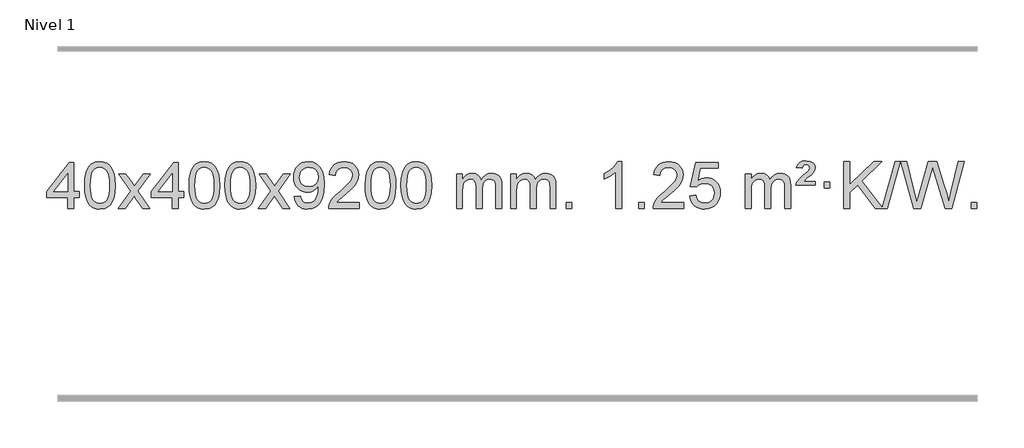
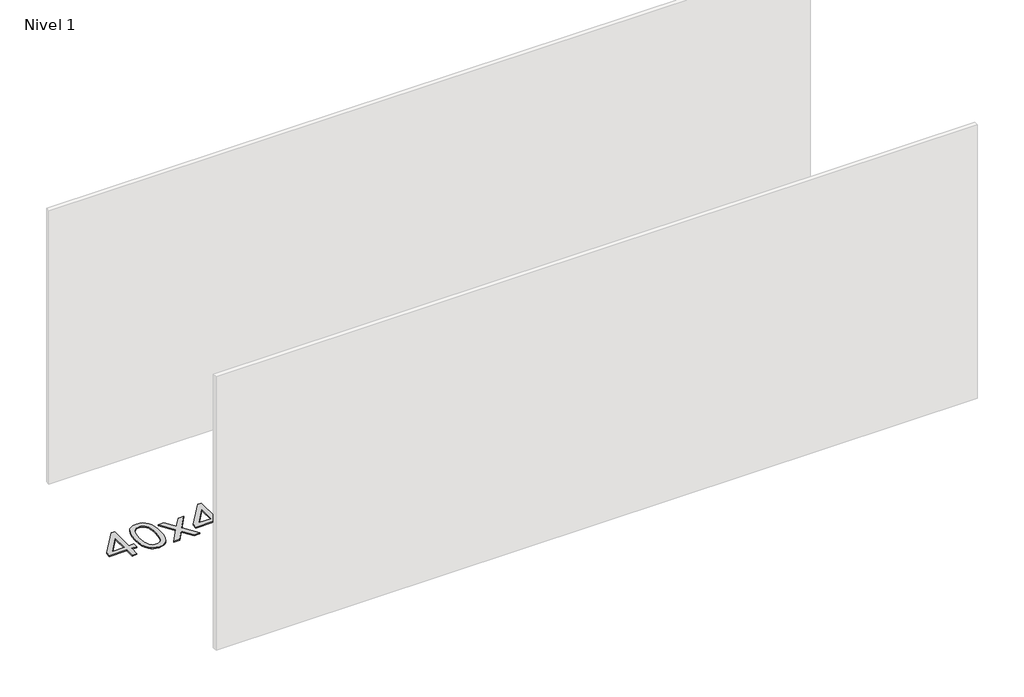
# One storey, part 16 of 18: 1 proxy.
"""IFC4 building model written with IfcOpenShell, lengths in millimetres."""

from ifc_helpers import new_model, si_unit, origin, origin_with_axes, place, context, project, spatial, polyline, outline, extrude, element, save

model = new_model("IFC4")

# Units and contexts
model_context = context("Model", 3, world=origin())
ifc_project = project(units=[si_unit("LENGTHUNIT", "METRE", prefix="MILLI")], contexts=[model_context])

# Site, building, storey
site = spatial("IfcSite", under=ifc_project)
building = spatial("IfcBuilding", under=site)
storey = spatial("IfcBuildingStorey", under=building, Name="Nivel 1", Elevation=0.0)

# Proxy
placement = place(None, origin())
element("IfcBuildingElementProxy", 1, Name="Texto de modelo 1", ObjectType="Texto de modelo 1", at=placement, inside=storey, context=model_context, shape_type="SweptSolid", body=[
    extrude(outline(polyline([(-25746.7519314, 2608.420547), (-25746.7519314, 2702.5983378), (-25928.8289935, 2702.5983378), (-25928.8289935, 2752.8264928), (-25734.1948926, 3003.9672682), (-25696.5237763, 3003.9672682), (-25696.5237763, 2752.8264928), (-25646.2956212, 2752.8264928), (-25646.2956212, 2702.5983378), (-25696.5237763, 2702.5983378), (-25696.5237763, 2608.420547), (-25746.7519314, 2608.420547)]), holes=[polyline([(-25746.7519314, 2752.8264928), (-25746.7519314, 2908.0236439), (-25867.0248183, 2752.8264928), (-25746.7519314, 2752.8264928)])]), origin_with_axes(), (0.0, 0.0, 1.0), 10.0),
    extrude(outline(polyline([(-25602.3459855, 2806.0958057), (-25598.6549029, 2870.4138412), (-25587.5816548, 2921.7088541), (-25569.236606, 2960.7656593), (-25557.378543, 2975.9990395), (-25543.730121, 2988.3690716), (-25528.2453547, 2997.9401349), (-25510.8782588, 3004.7766086), (-25470.4970785, 3010.2457876), (-25439.5459399, 3007.008426), (-25411.832163, 2997.2963414), (-25388.6555973, 2981.4896783), (-25371.3160926, 2959.9685816), (-25358.2194935, 2932.9169922), (-25347.7716449, 2900.5188512), (-25340.9290398, 2859.3773814), (-25338.6481714, 2806.0958057), (-25342.3024659, 2742.1456523), (-25353.2653493, 2690.9732667), (-25371.5000336, 2651.8796734), (-25383.3305054, 2636.6003078), (-25396.9697304, 2624.1658964), (-25412.4728908, 2614.5304538), (-25429.8951689, 2607.6479948), (-25470.4970785, 2602.1420276), (-25498.1618045, 2604.5332606), (-25522.6872709, 2611.7069595), (-25544.0734775, 2623.6631243), (-25562.3204245, 2640.4017551), (-25579.8316074, 2670.6600492), (-25592.3395953, 2708.3618224), (-25599.844388, 2753.5070745), (-25602.3459855, 2806.0958057)]), holes=[polyline([(-25552.1178305, 2806.1939076), (-25550.6463025, 2762.5293805), (-25546.2317185, 2727.1851178), (-25538.8740786, 2700.1611196), (-25528.5733828, 2681.4573858), (-25516.1144459, 2668.7317344), (-25502.2820829, 2659.6419835), (-25487.0762937, 2654.1881329), (-25470.4970785, 2652.3701827), (-25453.9178632, 2654.1942643), (-25438.7120741, 2659.6665089), (-25424.8797111, 2668.7869167), (-25412.4207742, 2681.5554876), (-25402.1200783, 2700.2898783), (-25394.7624384, 2727.3077451), (-25390.3478545, 2762.6090882), (-25388.8763265, 2806.1939076), (-25390.2988035, 2848.7026722), (-25394.5662347, 2883.4246011), (-25401.6786199, 2910.3596945), (-25411.6359592, 2929.5079524), (-25423.8864297, 2942.8559375), (-25437.8782082, 2952.3902125), (-25453.6112949, 2958.1107775), (-25471.0856897, 2960.0176325), (-25487.5790658, 2958.3376381), (-25502.5273375, 2953.2976548), (-25515.9305049, 2944.8976825), (-25527.7885679, 2933.1377214), (-25538.4326203, 2912.291075), (-25546.0355148, 2884.1848906), (-25550.5972516, 2848.8191681), (-25552.1178305, 2806.1939076)])]), origin_with_axes(), (0.0, 0.0, 1.0), 10.0),
    extrude(outline(polyline([(-25313.5340939, 2608.420547), (-25206.2106531, 2756.7505675), (-25307.2555745, 2903.5109581), (-25246.8248254, 2903.5109581), (-25198.0681983, 2832.877615), (-25175.3085655, 2799.5229808), (-25155.5900906, 2826.7952993), (-25100.0644348, 2903.5109581), (-25039.6336857, 2903.5109581), (-25145.7799041, 2756.7505675), (-25043.5577603, 2608.420547), (-25103.9885094, 2608.420547), (-25165.498379, 2697.5951426), (-25176.7800935, 2713.8800523), (-25253.1033448, 2608.420547), (-25313.5340939, 2608.420547)])), origin_with_axes(), (0.0, 0.0, 1.0), 10.0),
    extrude(outline(polyline([(-24848.9236594, 2608.420547), (-24848.9236594, 2702.5983378), (-25031.0007216, 2702.5983378), (-25031.0007216, 2752.8264928), (-24836.3666207, 3003.9672682), (-24798.6955043, 3003.9672682), (-24798.6955043, 2752.8264928), (-24748.4673493, 2752.8264928), (-24748.4673493, 2702.5983378), (-24798.6955043, 2702.5983378), (-24798.6955043, 2608.420547), (-24848.9236594, 2608.420547)]), holes=[polyline([(-24848.9236594, 2752.8264928), (-24848.9236594, 2908.0236439), (-24969.1965464, 2752.8264928), (-24848.9236594, 2752.8264928)])]), origin_with_axes(), (0.0, 0.0, 1.0), 10.0),
    extrude(outline(polyline([(-24704.5177136, 2806.0958057), (-24700.8266309, 2870.4138412), (-24689.7533828, 2921.7088541), (-24671.408334, 2960.7656593), (-24659.550271, 2975.9990395), (-24645.901849, 2988.3690716), (-24630.4170827, 2997.9401349), (-24613.0499869, 3004.7766086), (-24572.6688065, 3010.2457876), (-24541.717668, 3007.008426), (-24514.003891, 2997.2963414), (-24490.8273253, 2981.4896783), (-24473.4878206, 2959.9685816), (-24460.3912216, 2932.9169922), (-24449.9433729, 2900.5188512), (-24443.1007678, 2859.3773814), (-24440.8198994, 2806.0958057), (-24444.4741939, 2742.1456523), (-24455.4370774, 2690.9732667), (-24473.6717616, 2651.8796734), (-24485.5022334, 2636.6003078), (-24499.1414584, 2624.1658964), (-24514.6446188, 2614.5304538), (-24532.066897, 2607.6479948), (-24572.6688065, 2602.1420276), (-24600.3335326, 2604.5332606), (-24624.8589989, 2611.7069595), (-24646.2452055, 2623.6631243), (-24664.4921525, 2640.4017551), (-24682.0033355, 2670.6600492), (-24694.5113233, 2708.3618224), (-24702.016116, 2753.5070745), (-24704.5177136, 2806.0958057)]), holes=[polyline([(-24654.2895585, 2806.1939076), (-24652.8180305, 2762.5293805), (-24648.4034466, 2727.1851178), (-24641.0458067, 2700.1611196), (-24630.7451108, 2681.4573858), (-24618.2861739, 2668.7317344), (-24604.4538109, 2659.6419835), (-24589.2480218, 2654.1881329), (-24572.6688065, 2652.3701827), (-24556.0895913, 2654.1942643), (-24540.8838021, 2659.6665089), (-24527.0514391, 2668.7869167), (-24514.5925022, 2681.5554876), (-24504.2918063, 2700.2898783), (-24496.9341664, 2727.3077451), (-24492.5195825, 2762.6090882), (-24491.0480545, 2806.1939076), (-24492.4705316, 2848.7026722), (-24496.7379627, 2883.4246011), (-24503.8503479, 2910.3596945), (-24513.8076873, 2929.5079524), (-24526.0581577, 2942.8559375), (-24540.0499363, 2952.3902125), (-24555.7830229, 2958.1107775), (-24573.2574177, 2960.0176325), (-24589.7507938, 2958.3376381), (-24604.6990656, 2953.2976548), (-24618.1022329, 2944.8976825), (-24629.9602959, 2933.1377214), (-24640.6043483, 2912.291075), (-24648.2072429, 2884.1848906), (-24652.7689796, 2848.8191681), (-24654.2895585, 2806.1939076)])]), origin_with_axes(), (0.0, 0.0, 1.0), 10.0),
    extrude(outline(polyline([(-24396.8702638, 2806.0958057), (-24393.1791811, 2870.4138412), (-24382.105933, 2921.7088541), (-24363.7608842, 2960.7656593), (-24351.9028212, 2975.9990395), (-24338.2543992, 2988.3690716), (-24322.7696329, 2997.9401349), (-24305.402537, 3004.7766086), (-24265.0213567, 3010.2457876), (-24234.0702182, 3007.008426), (-24206.3564412, 2997.2963414), (-24183.1798755, 2981.4896783), (-24165.8403708, 2959.9685816), (-24152.7437718, 2932.9169922), (-24142.2959231, 2900.5188512), (-24135.453318, 2859.3773814), (-24133.1724496, 2806.0958057), (-24136.8267441, 2742.1456523), (-24147.7896275, 2690.9732667), (-24166.0243118, 2651.8796734), (-24177.8547836, 2636.6003078), (-24191.4940086, 2624.1658964), (-24206.997169, 2614.5304538), (-24224.4194471, 2607.6479948), (-24265.0213567, 2602.1420276), (-24292.6860827, 2604.5332606), (-24317.2115491, 2611.7069595), (-24338.5977557, 2623.6631243), (-24356.8447027, 2640.4017551), (-24374.3558856, 2670.6600492), (-24386.8638735, 2708.3618224), (-24394.3686662, 2753.5070745), (-24396.8702638, 2806.0958057)]), holes=[polyline([(-24346.6421087, 2806.1939076), (-24345.1705807, 2762.5293805), (-24340.7559968, 2727.1851178), (-24333.3983568, 2700.1611196), (-24323.097661, 2681.4573858), (-24310.6387241, 2668.7317344), (-24296.8063611, 2659.6419835), (-24281.6005719, 2654.1881329), (-24265.0213567, 2652.3701827), (-24248.4421414, 2654.1942643), (-24233.2363523, 2659.6665089), (-24219.4039893, 2668.7869167), (-24206.9450524, 2681.5554876), (-24196.6443565, 2700.2898783), (-24189.2867166, 2727.3077451), (-24184.8721327, 2762.6090882), (-24183.4006047, 2806.1939076), (-24184.8230817, 2848.7026722), (-24189.0905129, 2883.4246011), (-24196.2028981, 2910.3596945), (-24206.1602375, 2929.5079524), (-24218.4107079, 2942.8559375), (-24232.4024864, 2952.3902125), (-24248.1355731, 2958.1107775), (-24265.6099679, 2960.0176325), (-24282.103344, 2958.3376381), (-24297.0516157, 2953.2976548), (-24310.4547831, 2944.8976825), (-24322.3128461, 2933.1377214), (-24332.9568985, 2912.291075), (-24340.559793, 2884.1848906), (-24345.1215298, 2848.8191681), (-24346.6421087, 2806.1939076)])]), origin_with_axes(), (0.0, 0.0, 1.0), 10.0),
    extrude(outline(polyline([(-24108.0583721, 2608.420547), (-24000.7349313, 2756.7505675), (-24101.7798527, 2903.5109581), (-24041.3491036, 2903.5109581), (-23992.5924765, 2832.877615), (-23969.8328437, 2799.5229808), (-23950.1143688, 2826.7952993), (-23894.588713, 2903.5109581), (-23834.1579639, 2903.5109581), (-23940.3041823, 2756.7505675), (-23838.0820385, 2608.420547), (-23898.5127876, 2608.420547), (-23960.0226572, 2697.5951426), (-23971.3043717, 2713.8800523), (-24047.627623, 2608.420547), (-24108.0583721, 2608.420547)])), origin_with_axes(), (0.0, 0.0, 1.0), 10.0),
    extrude(outline(polyline([(-23800.4109222, 2708.8768572), (-23750.1827672, 2715.1553765), (-23741.5988539, 2686.6445219), (-23727.6193381, 2667.2326153), (-23708.5875762, 2656.0857908), (-23684.8469248, 2652.3701827), (-23663.5465573, 2654.7614157), (-23644.1837016, 2661.9351146), (-23628.0949957, 2673.1064645), (-23616.6170774, 2687.4906505), (-23600.185015, 2731.1459806), (-23594.7403615, 2759.5464706), (-23592.925477, 2789.4184886), (-23593.2197826, 2799.2286752), (-23610.6206009, 2777.9896213), (-23633.3924964, 2761.1651514), (-23659.8922628, 2750.2022679), (-23688.4766938, 2746.5479735), (-23712.3369069, 2748.7797909), (-23734.2780022, 2755.4752432), (-23754.2999798, 2766.6343304), (-23772.4028397, 2782.2570525), (-23787.403228, 2801.5279376), (-23798.1177911, 2823.6315142), (-23804.546529, 2848.5677821), (-23806.6894416, 2876.3367414), (-23804.4422958, 2905.031537), (-23797.7008582, 2930.7832766), (-23786.4651289, 2953.5919603), (-23770.735108, 2973.4575881), (-23751.6205726, 2989.5524254), (-23730.2313003, 3001.0487377), (-23706.567291, 3007.9465251), (-23680.6285446, 3010.2457876), (-23643.1658948, 3004.9973378), (-23609.0632338, 2989.2519884), (-23580.5401165, 2963.7945543), (-23559.8160974, 2929.4098505), (-23547.197745, 2881.8794968), (-23542.9916275, 2816.9851128), (-23547.1854822, 2748.178917), (-23559.7670465, 2694.9954432), (-23580.6259556, 2655.0311958), (-23594.1180278, 2639.1049711), (-23609.651845, 2625.882679), (-23626.9147076, 2615.496144), (-23645.5939159, 2608.0771905), (-23687.2013696, 2602.1420276), (-23709.7586673, 2603.8925328), (-23730.1454612, 2609.1440483), (-23748.3617513, 2617.8965741), (-23764.4075376, 2630.1501102), (-23777.87815, 2645.5735628), (-23788.3689183, 2663.8358382), (-23795.8798423, 2684.9369363), (-23800.4109222, 2708.8768572)]), holes=[polyline([(-23593.2197826, 2877.5139637), (-23598.6399106, 2911.555311), (-23605.4150707, 2925.6329287), (-23614.9002948, 2937.7485091), (-23626.6295991, 2947.4912506), (-23640.1369997, 2954.4503517), (-23672.4860898, 2960.0176325), (-23690.0953746, 2958.5185134), (-23706.0369277, 2954.021156), (-23720.3107492, 2946.5255604), (-23732.9168389, 2936.0317264), (-23743.2175347, 2923.1527909), (-23750.5751746, 2908.5018905), (-23754.9897586, 2892.0790251), (-23756.4612865, 2873.8841947), (-23750.8940057, 2842.8472171), (-23743.9349046, 2829.7291583), (-23734.1921631, 2818.2113861), (-23722.0704514, 2808.8334609), (-23707.9744396, 2802.1349429), (-23673.8595159, 2796.7761285), (-23641.7679432, 2802.1349429), (-23615.9303644, 2818.2113861), (-23605.9944848, 2829.9560188), (-23598.897428, 2843.7546593), (-23593.2197826, 2877.5139637)])]), origin_with_axes(), (0.0, 0.0, 1.0), 10.0),
    extrude(outline(polyline([(-23241.622697, 2658.6487021), (-23241.622697, 2608.420547), (-23505.3205112, 2608.420547), (-23504.2168652, 2626.1034082), (-23499.9249086, 2643.0505055), (-23487.5395481, 2670.1143576), (-23469.4152284, 2696.3688693), (-23443.1975049, 2723.8496544), (-23406.5319327, 2754.5923264), (-23352.3306521, 2802.7358169), (-23319.8098837, 2838.2732176), (-23303.5494996, 2867.115166), (-23298.1293715, 2895.1722995), (-23303.2429312, 2920.3231653), (-23318.5836104, 2941.2311253), (-23342.1648463, 2955.3210057), (-23372.0000761, 2960.0176325), (-23403.3313594, 2955.4313703), (-23427.6728847, 2941.6725837), (-23443.3814459, 2919.8203932), (-23448.8138367, 2890.9539193), (-23499.0419918, 2897.2324387), (-23494.722444, 2923.161988), (-23486.8650977, 2945.8173875), (-23475.4699529, 2965.1986373), (-23460.5370096, 2981.3057373), (-23442.4096243, 2993.9670093), (-23421.4311535, 3003.010775), (-23397.6015973, 3008.4370345), (-23370.9209556, 3010.2457876), (-23344.0011906, 3008.2346994), (-23320.0428757, 3002.2014346), (-23299.0460108, 2992.1459934), (-23281.010596, 2978.0683758), (-23266.5252424, 2961.0109139), (-23256.1785613, 2942.0159402), (-23249.9705526, 2921.0834547), (-23247.9012164, 2898.2134573), (-23250.1330339, 2874.1907631), (-23256.8284862, 2850.5850017), (-23268.7110746, 2826.5745701), (-23286.5043004, 2801.3378653), (-23314.8680023, 2771.2083299), (-23358.4620187, 2732.5194067), (-23416.2440174, 2684.204238), (-23438.9055483, 2658.6487021), (-23241.622697, 2658.6487021)])), origin_with_axes(), (0.0, 0.0, 1.0), 10.0),
    extrude(outline(polyline([(-23191.394542, 2806.0958057), (-23187.7034593, 2870.4138412), (-23176.6302112, 2921.7088541), (-23158.2851624, 2960.7656593), (-23146.4270994, 2975.9990395), (-23132.7786774, 2988.3690716), (-23117.2939111, 2997.9401349), (-23099.9268152, 3004.7766086), (-23059.5456349, 3010.2457876), (-23028.5944964, 3007.008426), (-23000.8807194, 2997.2963414), (-22977.7041537, 2981.4896783), (-22960.364649, 2959.9685816), (-22947.26805, 2932.9169922), (-22936.8202013, 2900.5188512), (-22929.9775962, 2859.3773814), (-22927.6967278, 2806.0958057), (-22931.3510223, 2742.1456523), (-22942.3139058, 2690.9732667), (-22960.54859, 2651.8796734), (-22972.3790618, 2636.6003078), (-22986.0182868, 2624.1658964), (-23001.5214472, 2614.5304538), (-23018.9437253, 2607.6479948), (-23059.5456349, 2602.1420276), (-23087.2103609, 2604.5332606), (-23111.7358273, 2611.7069595), (-23133.1220339, 2623.6631243), (-23151.3689809, 2640.4017551), (-23168.8801639, 2670.6600492), (-23181.3881517, 2708.3618224), (-23188.8929444, 2753.5070745), (-23191.394542, 2806.0958057)]), holes=[polyline([(-23141.1663869, 2806.1939076), (-23139.6948589, 2762.5293805), (-23135.280275, 2727.1851178), (-23127.9226351, 2700.1611196), (-23117.6219392, 2681.4573858), (-23105.1630023, 2668.7317344), (-23091.3306393, 2659.6419835), (-23076.1248501, 2654.1881329), (-23059.5456349, 2652.3701827), (-23042.9664196, 2654.1942643), (-23027.7606305, 2659.6665089), (-23013.9282675, 2668.7869167), (-23001.4693306, 2681.5554876), (-22991.1686347, 2700.2898783), (-22983.8109948, 2727.3077451), (-22979.3964109, 2762.6090882), (-22977.9248829, 2806.1939076), (-22979.3473599, 2848.7026722), (-22983.6147911, 2883.4246011), (-22990.7271763, 2910.3596945), (-23000.6845157, 2929.5079524), (-23012.9349861, 2942.8559375), (-23026.9267646, 2952.3902125), (-23042.6598513, 2958.1107775), (-23060.1342461, 2960.0176325), (-23076.6276222, 2958.3376381), (-23091.5758939, 2953.2976548), (-23104.9790613, 2944.8976825), (-23116.8371243, 2933.1377214), (-23127.4811767, 2912.291075), (-23135.0840712, 2884.1848906), (-23139.645808, 2848.8191681), (-23141.1663869, 2806.1939076)])]), origin_with_axes(), (0.0, 0.0, 1.0), 10.0),
    extrude(outline(polyline([(-22883.7470921, 2806.0958057), (-22880.0560094, 2870.4138412), (-22868.9827614, 2921.7088541), (-22850.6377126, 2960.7656593), (-22838.7796496, 2975.9990395), (-22825.1312276, 2988.3690716), (-22809.6464612, 2997.9401349), (-22792.2793654, 3004.7766086), (-22751.8981851, 3010.2457876), (-22720.9470465, 3007.008426), (-22693.2332696, 2997.2963414), (-22670.0567039, 2981.4896783), (-22652.7171992, 2959.9685816), (-22639.6206001, 2932.9169922), (-22629.1727515, 2900.5188512), (-22622.3301463, 2859.3773814), (-22620.049278, 2806.0958057), (-22623.7035725, 2742.1456523), (-22634.6664559, 2690.9732667), (-22652.9011401, 2651.8796734), (-22664.731612, 2636.6003078), (-22678.3708369, 2624.1658964), (-22693.8739974, 2614.5304538), (-22711.2962755, 2607.6479948), (-22751.8981851, 2602.1420276), (-22779.5629111, 2604.5332606), (-22804.0883774, 2611.7069595), (-22825.4745841, 2623.6631243), (-22843.721531, 2640.4017551), (-22861.232714, 2670.6600492), (-22873.7407019, 2708.3618224), (-22881.2454946, 2753.5070745), (-22883.7470921, 2806.0958057)]), holes=[polyline([(-22833.518937, 2806.1939076), (-22832.0474091, 2762.5293805), (-22827.6328251, 2727.1851178), (-22820.2751852, 2700.1611196), (-22809.9744894, 2681.4573858), (-22797.5155525, 2668.7317344), (-22783.6831894, 2659.6419835), (-22768.4774003, 2654.1881329), (-22751.8981851, 2652.3701827), (-22735.3189698, 2654.1942643), (-22720.1131807, 2659.6665089), (-22706.2808176, 2668.7869167), (-22693.8218807, 2681.5554876), (-22683.5211849, 2700.2898783), (-22676.163545, 2727.3077451), (-22671.748961, 2762.6090882), (-22670.2774331, 2806.1939076), (-22671.6999101, 2848.7026722), (-22675.9673412, 2883.4246011), (-22683.0797265, 2910.3596945), (-22693.0370658, 2929.5079524), (-22705.2875363, 2942.8559375), (-22719.2793148, 2952.3902125), (-22735.0124015, 2958.1107775), (-22752.4867962, 2960.0176325), (-22768.9801724, 2958.3376381), (-22783.9284441, 2953.2976548), (-22797.3316115, 2944.8976825), (-22809.1896744, 2933.1377214), (-22819.8337268, 2912.291075), (-22827.4366214, 2884.1848906), (-22831.9983581, 2848.8191681), (-22833.518937, 2806.1939076)])]), origin_with_axes(), (0.0, 0.0, 1.0), 10.0),
    extrude(outline(polyline([(-22406.5796189, 2608.420547), (-22406.5796189, 2903.5109581), (-22356.3514638, 2903.5109581), (-22356.3514638, 2854.9505347), (-22341.2437766, 2877.2564464), (-22321.8196072, 2894.7308411), (-22298.7411434, 2906.0248184), (-22272.6705727, 2909.7894775), (-22244.7360665, 2905.951242), (-22222.3443157, 2894.4365355), (-22205.6179477, 2876.0056476), (-22194.6795897, 2851.4188676), (-22176.3713291, 2876.9560094), (-22155.4878945, 2895.196825), (-22132.0292859, 2906.1413143), (-22105.9955034, 2909.7894775), (-22085.8876867, 2908.2719642), (-22068.2385479, 2903.7194245), (-22053.0480872, 2896.1318584), (-22040.3163045, 2885.5092658), (-22030.2516663, 2871.7290194), (-22023.0626389, 2854.6684918), (-22018.7492225, 2834.3276832), (-22017.3114171, 2810.7065934), (-22017.3114171, 2608.420547), (-22067.5395722, 2608.420547), (-22067.5395722, 2789.124183), (-22068.7045318, 2814.1769469), (-22072.1994108, 2831.0627305), (-22078.7477103, 2842.6264879), (-22089.0729316, 2851.7131732), (-22102.3534716, 2857.5992851), (-22117.7677272, 2859.5613224), (-22144.9787321, 2854.5336018), (-22167.1620165, 2839.45044), (-22175.7673895, 2827.8805512), (-22181.9140845, 2813.2817674), (-22186.8314405, 2774.9975144), (-22186.8314405, 2608.420547), (-22237.0595955, 2608.420547), (-22237.0595955, 2794.7159894), (-22239.9658633, 2823.1164794), (-22248.6846666, 2843.3745146), (-22264.0253458, 2855.5146204), (-22286.7972413, 2859.5613224), (-22306.1478342, 2856.8635211), (-22323.9778483, 2848.7701172), (-22338.6931281, 2835.4773144), (-22348.6995183, 2817.1813165), (-22354.4384775, 2791.7974589), (-22356.3514638, 2757.2410768), (-22356.3514638, 2608.420547), (-22406.5796189, 2608.420547)])), origin_with_axes(), (0.0, 0.0, 1.0), 10.0),
    extrude(outline(polyline([(-21941.9691845, 2608.420547), (-21941.9691845, 2903.5109581), (-21891.7410294, 2903.5109581), (-21891.7410294, 2854.9505347), (-21876.6333421, 2877.2564464), (-21857.2091728, 2894.7308411), (-21834.130709, 2906.0248184), (-21808.0601382, 2909.7894775), (-21780.1256321, 2905.951242), (-21757.7338813, 2894.4365355), (-21741.0075132, 2876.0056476), (-21730.0691552, 2851.4188676), (-21711.7608946, 2876.9560094), (-21690.87746, 2895.196825), (-21667.4188515, 2906.1413143), (-21641.3850689, 2909.7894775), (-21621.2772522, 2908.2719642), (-21603.6281135, 2903.7194245), (-21588.4376528, 2896.1318584), (-21575.7058701, 2885.5092658), (-21565.6412318, 2871.7290194), (-21558.4522045, 2854.6684918), (-21554.1387881, 2834.3276832), (-21552.7009826, 2810.7065934), (-21552.7009826, 2608.420547), (-21602.9291377, 2608.420547), (-21602.9291377, 2789.124183), (-21604.0940974, 2814.1769469), (-21607.5889763, 2831.0627305), (-21614.1372758, 2842.6264879), (-21624.4624972, 2851.7131732), (-21637.7430372, 2857.5992851), (-21653.1572928, 2859.5613224), (-21680.3682977, 2854.5336018), (-21702.551582, 2839.45044), (-21711.156955, 2827.8805512), (-21717.30365, 2813.2817674), (-21722.221006, 2774.9975144), (-21722.221006, 2608.420547), (-21772.4491611, 2608.420547), (-21772.4491611, 2794.7159894), (-21775.3554289, 2823.1164794), (-21784.0742321, 2843.3745146), (-21799.4149113, 2855.5146204), (-21822.1868068, 2859.5613224), (-21841.5373998, 2856.8635211), (-21859.3674138, 2848.7701172), (-21874.0826936, 2835.4773144), (-21884.0890839, 2817.1813165), (-21889.828043, 2791.7974589), (-21891.7410294, 2757.2410768), (-21891.7410294, 2608.420547), (-21941.9691845, 2608.420547)])), origin_with_axes(), (0.0, 0.0, 1.0), 10.0),
    extrude(outline(polyline([(-21464.8017113, 2608.420547), (-21464.8017113, 2658.6487021), (-21414.5735562, 2658.6487021), (-21414.5735562, 2608.420547), (-21464.8017113, 2608.420547)])), origin_with_axes(), (0.0, 0.0, 1.0), 10.0),
    extrude(outline(polyline([(-20987.634238, 2608.420547), (-21037.8623931, 2608.420547), (-21037.8623931, 2921.5617013), (-21058.8316668, 2904.6023413), (-21085.4417978, 2887.6675068), (-21138.3187033, 2862.3081746), (-21138.3187033, 2909.7894775), (-21098.8694907, 2931.2492605), (-21064.6932533, 2956.780271), (-21037.7520285, 2983.9299622), (-21020.0078536, 3010.2457876), (-20987.634238, 3010.2457876), (-20987.634238, 2608.420547)])), origin_with_axes(), (0.0, 0.0, 1.0), 10.0),
    extrude(outline(polyline([(-20843.2282922, 2608.420547), (-20843.2282922, 2658.6487021), (-20793.0001371, 2658.6487021), (-20793.0001371, 2608.420547), (-20843.2282922, 2608.420547)])), origin_with_axes(), (0.0, 0.0, 1.0), 10.0),
    extrude(outline(polyline([(-20453.9600904, 2658.6487021), (-20453.9600904, 2608.420547), (-20717.6579045, 2608.420547), (-20716.5542585, 2626.1034082), (-20712.2623019, 2643.0505055), (-20699.8769414, 2670.1143576), (-20681.7526218, 2696.3688693), (-20655.5348983, 2723.8496544), (-20618.8693261, 2754.5923264), (-20564.6680455, 2802.7358169), (-20532.1472771, 2838.2732176), (-20515.8868929, 2867.115166), (-20510.4667648, 2895.1722995), (-20515.5803246, 2920.3231653), (-20530.9210038, 2941.2311253), (-20554.5022397, 2955.3210057), (-20584.3374695, 2960.0176325), (-20615.6687527, 2955.4313703), (-20640.0102781, 2941.6725837), (-20655.7188393, 2919.8203932), (-20661.1512301, 2890.9539193), (-20711.3793851, 2897.2324387), (-20707.0598374, 2923.161988), (-20699.2024911, 2945.8173875), (-20687.8073463, 2965.1986373), (-20672.874403, 2981.3057373), (-20654.7470177, 2993.9670093), (-20633.7685469, 3003.010775), (-20609.9389907, 3008.4370345), (-20583.258349, 3010.2457876), (-20556.338584, 3008.2346994), (-20532.380269, 3002.2014346), (-20511.3834041, 2992.1459934), (-20493.3479893, 2978.0683758), (-20478.8626358, 2961.0109139), (-20468.5159547, 2942.0159402), (-20462.307946, 2921.0834547), (-20460.2386098, 2898.2134573), (-20462.4704272, 2874.1907631), (-20469.1658795, 2850.5850017), (-20481.048468, 2826.5745701), (-20498.8416938, 2801.3378653), (-20527.2053956, 2771.2083299), (-20570.799412, 2732.5194067), (-20628.5814108, 2684.204238), (-20651.2429417, 2658.6487021), (-20453.9600904, 2658.6487021)])), origin_with_axes(), (0.0, 0.0, 1.0), 10.0),
    extrude(outline(polyline([(-20403.7319353, 2715.1553765), (-20353.5037802, 2721.4338959), (-20344.2822049, 2691.2798351), (-20328.193499, 2669.6851619), (-20305.3112389, 2656.6989275), (-20275.709001, 2652.3701827), (-20256.5791372, 2653.8754332), (-20239.7056164, 2658.3911847), (-20225.0884384, 2665.9174372), (-20212.7276034, 2676.4541906), (-20202.8990228, 2689.480279), (-20195.878608, 2704.4745359), (-20190.2622762, 2740.3675559), (-20195.5229888, 2774.1636486), (-20202.0988794, 2788.0818507), (-20211.3051264, 2800.0134901), (-20223.1723864, 2809.5845533), (-20237.7313163, 2816.4210271), (-20274.9241861, 2821.8902061), (-20299.2902369, 2819.7074396), (-20319.0209745, 2813.1591401), (-20334.7785867, 2803.1282243), (-20347.2252608, 2790.4976092), (-20397.4534159, 2796.7761285), (-20353.5037802, 3003.9672682), (-20158.8696793, 3003.9672682), (-20158.8696793, 2953.7391131), (-20312.889608, 2953.7391131), (-20334.3739165, 2843.080209), (-20316.6481357, 2855.7844006), (-20298.4931592, 2864.8588231), (-20279.9089871, 2870.3034766), (-20260.8956193, 2872.1183612), (-20236.4345323, 2869.8681496), (-20213.9661395, 2863.117515), (-20193.4904407, 2851.8664573), (-20175.0074362, 2836.1149766), (-20159.7066109, 2816.8256973), (-20148.7774499, 2794.961244), (-20142.2199533, 2770.5216168), (-20140.0341212, 2743.5068156), (-20142.0022898, 2717.4852958), (-20147.9067959, 2693.2786606), (-20157.7476392, 2670.8869098), (-20171.5248199, 2650.3100435), (-20192.3959918, 2629.2365366), (-20216.7497799, 2614.1840316), (-20244.5861842, 2605.1525286), (-20275.9052047, 2602.1420276), (-20301.825557, 2604.0764738), (-20325.2381803, 2609.8798123), (-20346.1430746, 2619.552043), (-20364.5402401, 2633.0931662), (-20379.8471968, 2649.8287312), (-20391.4814649, 2669.084288), (-20399.4430444, 2690.8598364), (-20403.7319353, 2715.1553765)])), origin_with_axes(), (0.0, 0.0, 1.0), 10.0),
    extrude(outline(polyline([(-19926.5644621, 2608.420547), (-19926.5644621, 2903.5109581), (-19876.336307, 2903.5109581), (-19876.336307, 2854.9505347), (-19861.2286197, 2877.2564464), (-19841.8044504, 2894.7308411), (-19818.7259866, 2906.0248184), (-19792.6554158, 2909.7894775), (-19764.7209097, 2905.951242), (-19742.3291589, 2894.4365355), (-19725.6027909, 2876.0056476), (-19714.6644329, 2851.4188676), (-19696.3561722, 2876.9560094), (-19675.4727377, 2895.196825), (-19652.0141291, 2906.1413143), (-19625.9803466, 2909.7894775), (-19605.8725298, 2908.2719642), (-19588.2233911, 2903.7194245), (-19573.0329304, 2896.1318584), (-19560.3011477, 2885.5092658), (-19550.2365094, 2871.7290194), (-19543.0474821, 2854.6684918), (-19538.7340657, 2834.3276832), (-19537.2962603, 2810.7065934), (-19537.2962603, 2608.420547), (-19587.5244153, 2608.420547), (-19587.5244153, 2789.124183), (-19588.689375, 2814.1769469), (-19592.1842539, 2831.0627305), (-19598.7325535, 2842.6264879), (-19609.0577748, 2851.7131732), (-19622.3383148, 2857.5992851), (-19637.7525704, 2859.5613224), (-19664.9635753, 2854.5336018), (-19687.1468596, 2839.45044), (-19695.7522326, 2827.8805512), (-19701.8989276, 2813.2817674), (-19706.8162836, 2774.9975144), (-19706.8162836, 2608.420547), (-19757.0444387, 2608.420547), (-19757.0444387, 2794.7159894), (-19759.9507065, 2823.1164794), (-19768.6695098, 2843.3745146), (-19784.010189, 2855.5146204), (-19806.7820845, 2859.5613224), (-19826.1326774, 2856.8635211), (-19843.9626914, 2848.7701172), (-19858.6779713, 2835.4773144), (-19868.6843615, 2817.1813165), (-19874.4233206, 2791.7974589), (-19876.336307, 2757.2410768), (-19876.336307, 2608.420547), (-19926.5644621, 2608.420547)])), origin_with_axes(), (0.0, 0.0, 1.0), 10.0),
    extrude(outline(polyline([(-19493.3466246, 2809.3331673), (-19489.5206518, 2825.1520931), (-19481.1819933, 2841.0200698), (-19459.6731593, 2866.1586728), (-19427.7164766, 2893.8969753), (-19383.5706372, 2931.273786), (-19376.4337265, 2942.8007552), (-19374.0547563, 2954.6220299), (-19375.9432172, 2966.7130848), (-19381.6085999, 2976.4987459), (-19390.977328, 2982.973469), (-19403.9758252, 2985.1317101), (-19416.4102366, 2983.5130293), (-19425.26393, 2978.656987), (-19431.6896022, 2969.1901569), (-19436.8399501, 2953.7391131), (-19487.0681052, 2960.0176325), (-19476.2278491, 2985.2298119), (-19459.5995829, 3002.7900458), (-19435.834406, 3013.0907417), (-19403.5834178, 3016.524307), (-19367.8007624, 3012.3917659), (-19343.0545668, 2999.9941427), (-19328.6335926, 2981.6613566), (-19323.8266012, 2959.7233269), (-19327.9223541, 2936.8165414), (-19340.2096127, 2915.1850801), (-19360.737428, 2895.3685032), (-19397.2067965, 2867.3113697), (-19422.8113834, 2840.7257642), (-19323.8266012, 2840.7257642), (-19323.8266012, 2809.3331673), (-19493.3466246, 2809.3331673)])), origin_with_axes(), (0.0, 0.0, 1.0), 10.0),
    extrude(outline(polyline([(-19248.4843686, 2784.2190898), (-19248.4843686, 2834.4472448), (-19198.2562135, 2834.4472448), (-19198.2562135, 2784.2190898), (-19248.4843686, 2784.2190898)])), origin_with_axes(), (0.0, 0.0, 1.0), 10.0),
    extrude(outline(polyline([(-18807.6145856, 2608.420547), (-18961.045903, 2811.0990009), (-19028.7361901, 2746.5479735), (-19028.7361901, 2608.420547), (-19078.9643452, 2608.420547), (-19078.9643452, 3010.2457876), (-19028.7361901, 3010.2457876), (-19028.7361901, 2813.5515475), (-18822.7222728, 3010.2457876), (-18752.4813372, 3010.2457876), (-18925.4349259, 2845.0422463), (-18750.781316, 2614.4650668), (-18639.4679883, 3010.2457876), (-18594.1449265, 3010.2457876), (-18707.1582754, 2608.420547), (-18746.2028178, 2608.420547), (-18752.4813372, 2608.420547), (-18807.6145856, 2608.420547)])), origin_with_axes(), (0.0, 0.0, 1.0), 10.0),
    extrude(outline(polyline([(-18479.6600496, 2608.420547), (-18589.2398332, 3010.2457876), (-18537.4420483, 3010.2457876), (-18473.8720395, 2746.155566), (-18454.2516665, 2664.6329159), (-18433.2578673, 2736.7377869), (-18353.5991526, 3010.2457876), (-18278.943633, 3010.2457876), (-18221.0635325, 2811.9819177), (-18196.268286, 2738.4055186), (-18177.9968136, 2664.6329159), (-18158.9650517, 2743.8011212), (-18094.8064317, 3010.2457876), (-18043.0086468, 3010.2457876), (-18152.6865323, 2608.420547), (-18206.3482526, 2608.420547), (-18302.6842845, 2918.4224416), (-18316.12424, 2961.6853642), (-18331.2319273, 2909.5932737), (-18419.0330968, 2608.420547), (-18479.6600496, 2608.420547)])), origin_with_axes(), (0.0, 0.0, 1.0), 10.0),
    extrude(outline(polyline([(-17986.5019723, 2608.420547), (-17986.5019723, 2658.6487021), (-17936.2738173, 2658.6487021), (-17936.2738173, 2608.420547), (-17986.5019723, 2608.420547)])), origin_with_axes(), (0.0, 0.0, 1.0), 10.0),
])

save(model, "model.ifc")
